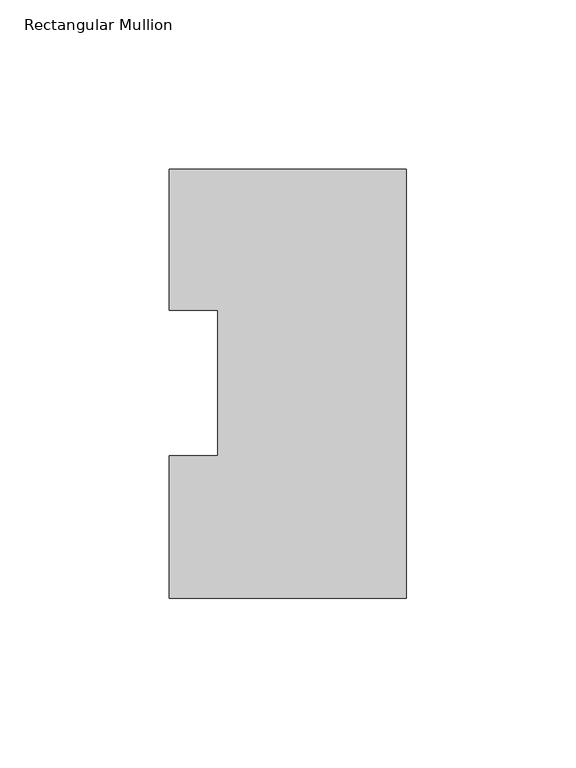
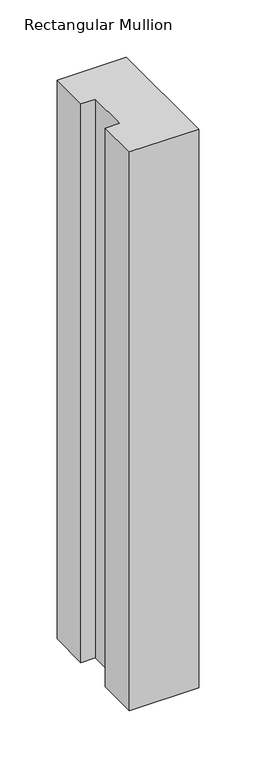
"""IFC4 building model written with IfcOpenShell, lengths in millimetres: member geometry, Rectangular Mullion."""

from ifc_helpers import new_model, si_unit, frame, origin, place, context, project, spatial, polyline, outline, extrude, source, transform, mapped, element, save


def rectangular_mullion_ee8ee359(model_context):
    return source(origin(), model_context, "Body", "SweptSolid", [
        extrude(outline(polyline([(-69.85, 0.04445), (-69.85, 42.08145), (-55.5625, 42.08145), (-55.5625, 84.93125), (-69.85, 84.93125), (-69.85, 126.53645), (0.0, 126.53645), (0.0, 0.04445), (-69.85, 0.04445)])), frame((0.0, 0.0, -596.6902418), z_axis=(0.0, 0.0, 1.0), x_axis=(1.0, 0.0, 0.0)), (0.0, 0.0, 1.0), 596.6902418),
    ])


if __name__ == "__main__":
    model = new_model("IFC4")
    model_context = context("Model", 3, world=origin())
    ifc_project = project(units=[si_unit("LENGTHUNIT", "METRE", prefix="MILLI")], contexts=[model_context])
    site = spatial("IfcSite", under=ifc_project)
    building = spatial("IfcBuilding", under=site)
    placement = place(None, origin())
    rectangular_mullion_shape = rectangular_mullion_ee8ee359(model_context)
    element("IfcMember", 1, ObjectType="Rectangular Mullion", at=placement, inside=building, context=model_context, shape_type="MappedRepresentation", body=[
        mapped(rectangular_mullion_shape, transform((0.0, 0.0, 0.0), x_axis=(1.0, 0.0, 0.0), y_axis=(0.0, 1.0, 0.0), z_axis=(0.0, 0.0, 1.0))),
    ])
    save(model, "model.ifc")
